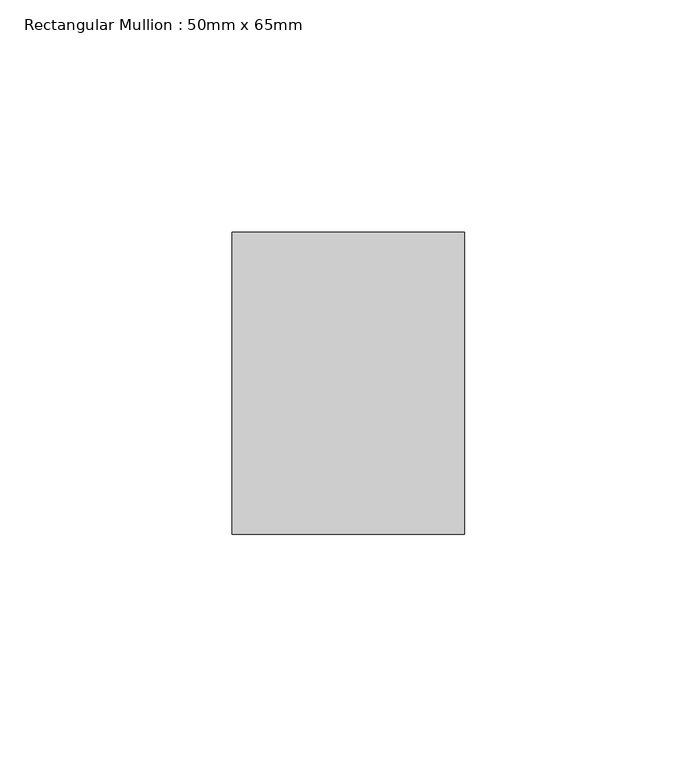
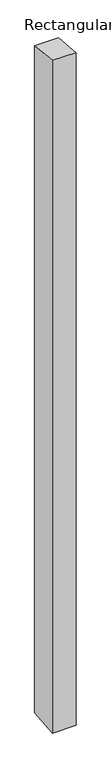
"""IFC4 building model written with IfcOpenShell, lengths in millimetres: member geometry, Rectangular Mullion : 50mm x 65mm."""

import ifcopenshell
import ifcopenshell.guid

model = None  # the IFC model being written
_history = None  # IfcOwnerHistory: only IFC2X3 demands one
_inside = {}  # id of a spatial element -> (the spatial element, [elements in it])
_under = {}  # id of a project, library or spatial element -> (it, [spatial elements below it])
_declared = {}  # id of a project -> (the project, [libraries it declares])
_typed = {}  # id of a type object -> (the type object, [elements of that type])
_made_of = {}  # id of a material, layer set ... -> (it, [elements and type objects made of it])


def new_model(schema):
    """Start an empty IFC model of exactly this schema.

    Asked for "IFC4X3", IfcOpenShell would pick the latest addendum, in which some entities
    have other attributes; the version numbers below select the first issue.
    IFC2X3 requires an IfcOwnerHistory on every rooted entity: one is made here for all.
    """
    global model, _history
    if schema == "IFC4X3":
        model = ifcopenshell.file(schema_version=(4, 3, 0, 0))
    else:
        model = ifcopenshell.file(schema=schema)
    _inside.clear()
    _under.clear()
    _declared.clear()
    _typed.clear()
    _made_of.clear()
    _history = None
    if model.schema == "IFC2X3":
        org = make("IfcOrganization", Name="unknown")
        user = make(
            "IfcPersonAndOrganization",
            ThePerson=make("IfcPerson", FamilyName="unknown"),
            TheOrganization=org,
        )
        app = make(
            "IfcApplication",
            ApplicationDeveloper=org,
            Version="unknown",
            ApplicationFullName="unknown",
            ApplicationIdentifier="unknown",
        )
        _history = make(
            "IfcOwnerHistory",
            OwningUser=user,
            OwningApplication=app,
            ChangeAction="ADDED",
            CreationDate=0,
        )
    return model


def make(cls, **values):
    """One entity of the class cls with the attributes given. An attribute that is None is left unset."""
    return model.create_entity(
        cls, **{name: value for name, value in values.items() if value is not None}
    )


def rooted(cls, **values):
    """An entity with a GlobalId (a new one), such as an element, a storey or a relation."""
    return make(cls, GlobalId=ifcopenshell.guid.new(), OwnerHistory=_history, **values)


def si_unit(unit_type, name, prefix=None):
    """IfcSIUnit, for example si_unit("LENGTHUNIT", "METRE", prefix="MILLI")."""
    return make("IfcSIUnit", UnitType=unit_type, Prefix=prefix, Name=name)


def assignment(units):
    """IfcUnitAssignment: the units of a project."""
    return None if units is None else make("IfcUnitAssignment", Units=units)


def point(xyz):
    """IfcCartesianPoint."""
    return None if xyz is None else make("IfcCartesianPoint", Coordinates=xyz)


def direction(xyz):
    """IfcDirection."""
    return None if xyz is None else make("IfcDirection", DirectionRatios=xyz)


def frame(location, z_axis=None, x_axis=None):
    """IfcAxis2Placement3D, a coordinate frame: its origin and axes. An axis left out is left unset."""
    return make(
        "IfcAxis2Placement3D",
        Location=point(location),
        Axis=direction(z_axis),
        RefDirection=direction(x_axis),
    )


def origin():
    """The frame at (0, 0, 0) with its axes left unset."""
    return frame((0.0, 0.0, 0.0))


def place(relative_to, where):
    """IfcLocalPlacement: puts the frame where relative to a parent placement (None: the world)."""
    return make(
        "IfcLocalPlacement", PlacementRelTo=relative_to, RelativePlacement=where
    )


def context(
    kind, dimensions, precision=None, world=None, true_north=None, identifier=None
):
    """IfcGeometricRepresentationContext, for example the 3D "Model" context."""
    return make(
        "IfcGeometricRepresentationContext",
        ContextIdentifier=identifier,
        ContextType=kind,
        CoordinateSpaceDimension=dimensions,
        Precision=precision,
        WorldCoordinateSystem=world,
        TrueNorth=true_north,
    )


def project(units=None, contexts=None):
    """IfcProject with its units and contexts."""
    return rooted(
        "IfcProject",
        Name="project",
        RepresentationContexts=contexts,
        UnitsInContext=assignment(units),
    )


def spatial(cls, under=None, at=None, **own):
    """A site, building, storey or space (cls), placed at a placement, below another one or the project."""
    s = rooted(cls, ObjectPlacement=at, **own)
    if under is not None:
        _under.setdefault(under.id(), (under, []))[1].append(s)
    return s


def faces_of(points, faces, orient=None, outer=None):
    """IfcFace entities. A face is a list of loops; a loop is a list of indices into points, from 0.

    orient and outer hold one flag for each loop. By default every Orientation is true, the
    first loop of a face is its IfcFaceOuterBound and the others are IfcFaceBound.
    """
    made = []
    for i, loops in enumerate(faces):
        bounds = []
        for j, loop in enumerate(loops):
            is_outer = j == 0 if outer is None else outer[i][j]
            bounds.append(
                make(
                    "IfcFaceOuterBound" if is_outer else "IfcFaceBound",
                    Bound=make("IfcPolyLoop", Polygon=[points[k] for k in loop]),
                    Orientation=True if orient is None else orient[i][j],
                )
            )
        made.append(make("IfcFace", Bounds=bounds))
    return made


def faceted_brep(points, faces, orient=None, outer=None, voids=None):
    """IfcFacetedBrep: a solid bounded by flat faces; with voids (closed shells), ...WithVoids."""
    shared = [point(p) for p in points]
    hull = make("IfcClosedShell", CfsFaces=faces_of(shared, faces, orient, outer))
    if voids is None:
        return make("IfcFacetedBrep", Outer=hull)
    return make(
        "IfcFacetedBrepWithVoids",
        Outer=hull,
        Voids=[
            make(cls, CfsFaces=faces_of(shared, fs, o, b)) for cls, fs, o, b in voids
        ],
    )


def shape(context_of_items, identifier, shape_type, items):
    """IfcShapeRepresentation: the items that make up one representation, for example the "Body"."""
    return make(
        "IfcShapeRepresentation",
        ContextOfItems=context_of_items,
        RepresentationIdentifier=identifier,
        RepresentationType=shape_type,
        Items=items,
    )


def source(mapping_origin, context_of_items, identifier, shape_type, items):
    """IfcRepresentationMap: a shape defined once, which mapped items show again and again."""
    return make(
        "IfcRepresentationMap",
        MappingOrigin=mapping_origin,
        MappedRepresentation=shape(context_of_items, identifier, shape_type, items),
    )


def transform(
    local_origin,
    x_axis=None,
    y_axis=None,
    z_axis=None,
    scale=None,
    scale2=None,
    scale3=None,
    uniform=True,
):
    """IfcCartesianTransformationOperator3D, or its non-uniform kind. x_axis, y_axis, z_axis: its Axis1, 2, 3."""
    if uniform:
        return make(
            "IfcCartesianTransformationOperator3D",
            Axis1=direction(x_axis),
            Axis2=direction(y_axis),
            LocalOrigin=point(local_origin),
            Scale=scale,
            Axis3=direction(z_axis),
        )
    return make(
        "IfcCartesianTransformationOperator3DnonUniform",
        Axis1=direction(x_axis),
        Axis2=direction(y_axis),
        LocalOrigin=point(local_origin),
        Scale=scale,
        Axis3=direction(z_axis),
        Scale2=scale2,
        Scale3=scale3,
    )


def mapped(mapping_source, mapping_target):
    """IfcMappedItem: shows the shape of a source again, moved by a transform."""
    return make(
        "IfcMappedItem", MappingSource=mapping_source, MappingTarget=mapping_target
    )


def made_of(thing, what):
    """Note that an element or type object is made of a material, layer set ...; save() writes the relation."""
    if what is not None:
        _made_of.setdefault(what.id(), (what, []))[1].append(thing)
    return thing


def element(
    cls,
    number,
    at=None,
    inside=None,
    cuts=None,
    type_object=None,
    material=None,
    context=None,
    identifier="Body",
    shape_type=None,
    held_by="IfcProductDefinitionShape",
    body=None,
    shapes=None,
    **own,
):
    """One element of the class cls, such as IfcWall. Its Tag is "e" and its number.

    at: its placement. inside: the storey or other place that contains it. cuts: it is an
    opening in that element (IfcRelVoidsElement). A single representation is given by context,
    identifier, shape_type and body (its items); several are given by shapes. held_by: the class
    of the entity that holds the representations. save() writes the other relations.
    """
    e = rooted(cls, Tag="e%d" % number, ObjectPlacement=at, **own)
    if body is not None:
        shapes = [shape(context, identifier, shape_type, body)]
    if shapes is not None:
        e.Representation = make(held_by, Representations=shapes)
    if inside is not None:
        _inside.setdefault(inside.id(), (inside, []))[1].append(e)
    if cuts is not None:
        rooted(
            "IfcRelVoidsElement", RelatingBuildingElement=cuts, RelatedOpeningElement=e
        )
    if type_object is not None:
        _typed.setdefault(type_object.id(), (type_object, []))[1].append(e)
    return made_of(e, material)


def aggregate(whole, parts):
    """IfcRelAggregates: a whole, such as a stair, and the parts it consists of."""
    return rooted("IfcRelAggregates", RelatingObject=whole, RelatedObjects=parts)


def save(model, path):
    """Write the relations noted so far, then the file.

    IfcRelAggregates (storeys below a building ...), IfcRelContainedInSpatialStructure (elements
    in a storey), IfcRelDefinesByType, IfcRelAssociatesMaterial and IfcRelDeclares: one each for
    every whole, place, type object, material and project.
    """
    for whole, parts in _under.values():
        aggregate(whole, parts)
    for where, things in _inside.values():
        rooted(
            "IfcRelContainedInSpatialStructure",
            RelatedElements=things,
            RelatingStructure=where,
        )
    for kind, things in _typed.values():
        rooted("IfcRelDefinesByType", RelatedObjects=things, RelatingType=kind)
    for what, things in _made_of.values():
        rooted("IfcRelAssociatesMaterial", RelatedObjects=things, RelatingMaterial=what)
    for by, libraries in _declared.values():
        rooted("IfcRelDeclares", RelatingContext=by, RelatedDefinitions=libraries)
    model.write(path)


def rectangular_mullion_50mm_x_65mm_39e83bed(model_context):
    return source(origin(), model_context, "Body", "Brep", [
        faceted_brep([(-25.0, 32.5, -3.3716781), (25.0, 32.5, -3.3716818), (25.0, 32.5, -1496.8525655), (-25.0, 32.5, -1496.852569), (-25.0, -32.5, 3.3716818), (-25.0, -32.5, -1503.1464377), (25.0, -32.5, 3.3716781), (25.0, -32.5, -1503.1464342)], [[[0, 1, 2, 3]], [[4, 0, 3, 5]], [[6, 4, 5, 7]], [[1, 6, 7, 2]], [[1, 0, 4, 6]], [[2, 7, 5, 3]]]),
    ])


if __name__ == "__main__":
    model = new_model("IFC4")
    model_context = context("Model", 3, world=origin())
    ifc_project = project(units=[si_unit("LENGTHUNIT", "METRE", prefix="MILLI")], contexts=[model_context])
    site = spatial("IfcSite", under=ifc_project)
    building = spatial("IfcBuilding", under=site)
    placement = place(None, origin())
    rectangular_mullion_50mm_x_65mm_shape = rectangular_mullion_50mm_x_65mm_39e83bed(model_context)
    element("IfcMember", 1, ObjectType="Rectangular Mullion : 50mm x 65mm", at=placement, inside=building, context=model_context, shape_type="MappedRepresentation", body=[
        mapped(rectangular_mullion_50mm_x_65mm_shape, transform((0.0, 0.0, 0.0), x_axis=(1.0, 0.0, 0.0), y_axis=(0.0, 1.0, 0.0), z_axis=(0.0, 0.0, 1.0))),
    ])
    save(model, "model.ifc")
